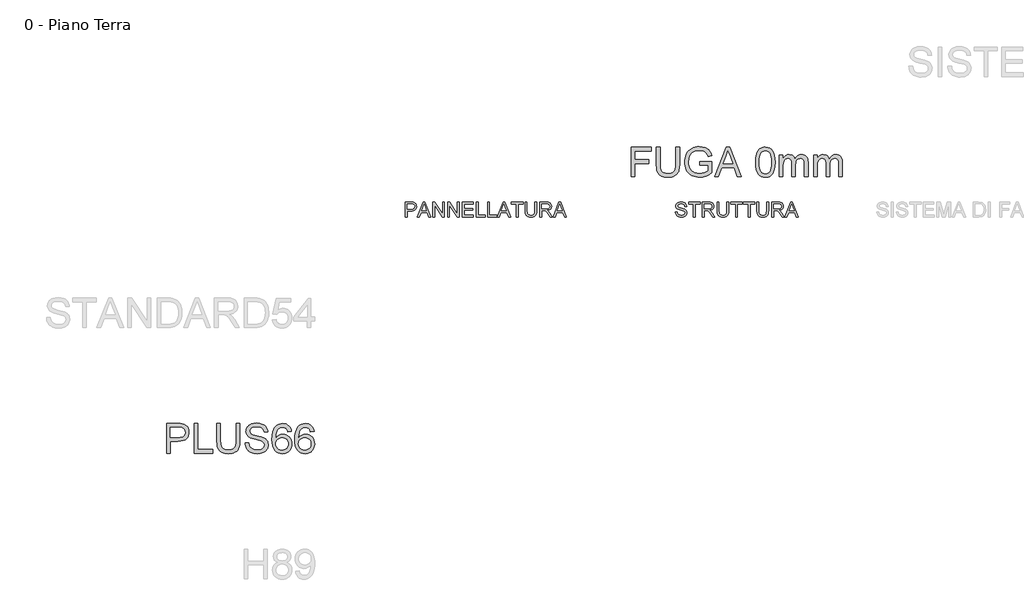
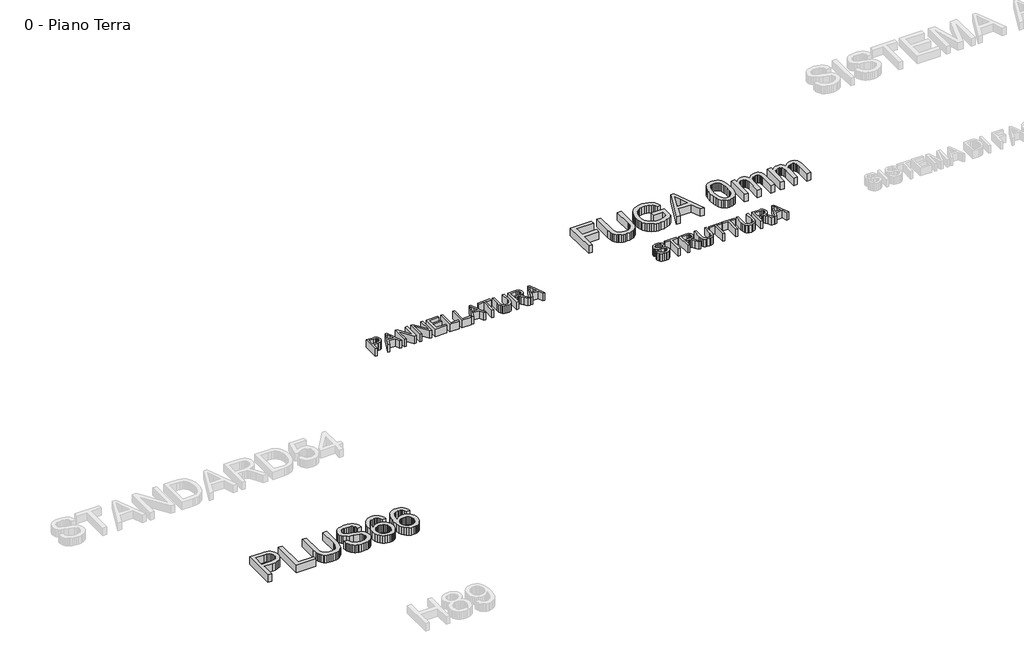
# One storey, part 15 of 17: 4 proxies.
"""IFC4 building model written with IfcOpenShell, lengths in millimetres."""

from ifc_helpers import new_model, si_unit, origin, origin_with_axes, place, context, project, spatial, polyline, outline, extrude, element, save

model = new_model("IFC4")

# Units and contexts
model_context = context("Model", 3, world=origin())
ifc_project = project(units=[si_unit("LENGTHUNIT", "METRE", prefix="MILLI")], contexts=[model_context])

# Site, building, storey
site = spatial("IfcSite", under=ifc_project)
building = spatial("IfcBuilding", under=site)
storey = spatial("IfcBuildingStorey", under=building, Name="0 - Piano Terra", Elevation=0.0)

# Proxies
placement = place(None, origin())
element("IfcBuildingElementProxy", 1, Name="Testo modello 1", ObjectType="Testo modello 1", at=placement, inside=storey, context=model_context, shape_type="SweptSolid", body=[
    extrude(outline(polyline([(-17336.6286265, 8564.0517382), (-17336.6286265, 9154.820969), (-17117.6863188, 9154.820969), (-17066.7007419, 9153.414719), (-17029.417088, 9149.195969), (-16990.0601169, 9138.6851517), (-16957.6622803, 9121.5757767), (-16931.5745399, 9097.0926036), (-16911.1478573, 9064.4603921), (-16897.9507419, 9025.9688055), (-16893.5517034, 8983.9075075), (-16896.5219558, 8947.6424834), (-16905.432713, 8914.2801036), (-16920.283975, 8883.820368), (-16941.0757419, 8856.2632767), (-16969.6199125, 8833.4207286), (-17007.7283861, 8817.1046229), (-17055.4011625, 8807.3149594), (-17112.6382419, 8804.0517382), (-17262.7824726, 8804.0517382), (-17262.7824726, 8564.0517382), (-17336.6286265, 8564.0517382)]), holes=[polyline([(-17262.7824726, 8877.8978921), (-17108.3113188, 8877.8978921), (-17072.7944919, 8879.5926036), (-17042.8305496, 8884.6767382), (-17018.4194919, 8893.1502959), (-16999.5613188, 8905.0132767), (-16985.4898044, 8919.9501757), (-16975.4387226, 8937.6454882), (-16969.4080736, 8958.0992142), (-16967.3978573, 8981.3113536), (-16972.1394438, 9014.4844305), (-16986.3642034, 9042.4651998), (-17008.3053092, 9063.5228921), (-17036.1959342, 9075.9267382), (-17064.6815111, 9079.7127959), (-17110.042088, 9080.9748152), (-17262.7824726, 9080.9748152), (-17262.7824726, 8877.8978921)])]), origin_with_axes(), (0.0, 0.0, 1.0), 150.0),
    extrude(outline(polyline([(-16792.0132419, 8564.0517382), (-16792.0132419, 9154.820969), (-16718.167088, 9154.820969), (-16718.167088, 8637.8978921), (-16422.7824726, 8637.8978921), (-16422.7824726, 8564.0517382), (-16792.0132419, 8564.0517382)])), origin_with_axes(), (0.0, 0.0, 1.0), 150.0),
    extrude(outline(polyline([(-15952.0132419, 9154.820969), (-15878.167088, 9154.820969), (-15878.167088, 8814.0036613), (-15883.1791073, 8734.1899594), (-15889.4441313, 8701.1656204), (-15898.2151649, 8672.7296229), (-15910.2494198, 8647.804743), (-15926.3041073, 8625.3137575), (-15946.3792274, 8605.2566661), (-15970.4747803, 8587.633469), (-15998.6178092, 8573.2780003), (-16030.8353573, 8563.024094), (-16067.1274246, 8556.8717503), (-16107.4940111, 8554.820969), (-16146.8645039, 8556.6058248), (-16182.4759823, 8561.9603921), (-16214.3284462, 8570.8846709), (-16242.4218957, 8583.3786613), (-16266.760838, 8599.2575676), (-16287.3497803, 8618.336594), (-16304.1887226, 8640.6157406), (-16317.2776649, 8666.0950075), (-16327.0898645, 8695.6487935), (-16334.0985784, 8730.1514979), (-16339.7055496, 8814.0036613), (-16339.7055496, 9154.820969), (-16265.8593957, 9154.820969), (-16265.8593957, 8816.5998152), (-16262.2175688, 8750.2356325), (-16251.292088, 8704.0276998), (-16242.7013428, 8686.9949474), (-16231.4964149, 8672.0264979), (-16217.6773044, 8659.1223512), (-16201.2440111, 8648.2825075), (-16161.7968957, 8633.570969), (-16114.417088, 8628.6671229), (-16073.7169678, 8631.0920027), (-16039.3089149, 8638.3666421), (-16011.1929294, 8650.4910411), (-15989.3690111, 8667.4651998), (-15973.0258621, 8691.3353921), (-15961.3521842, 8724.1478921), (-15954.3479774, 8765.9026998), (-15952.0132419, 8816.5998152), (-15952.0132419, 9154.820969)])), origin_with_axes(), (0.0, 0.0, 1.0), 150.0),
    extrude(outline(polyline([(-15776.6286265, 8767.1286613), (-15702.7824726, 8767.1286613), (-15694.3089149, 8726.149094), (-15678.9843957, 8693.2103921), (-15655.0781457, 8667.0685652), (-15620.8593957, 8646.4796229), (-15579.0324726, 8633.1202479), (-15532.3017034, 8628.6671229), (-15491.1598765, 8632.0385171), (-15455.1382419, 8642.1526998), (-15425.9495399, 8658.1623152), (-15405.3065111, 8679.2200075), (-15393.0288669, 8703.3966902), (-15388.9363188, 8728.7632767), (-15392.0012226, 8753.4808248), (-15401.1959342, 8774.8450075), (-15419.8738188, 8793.0721709), (-15451.3882419, 8808.3786613), (-15558.9122803, 8836.5757767), (-15629.495213, 8855.2356325), (-15674.6574726, 8872.9940459), (-15711.4182899, 8897.8377959), (-15737.4699726, 8927.945969), (-15752.9928092, 8962.6695267), (-15758.167088, 9001.3594305), (-15756.5670279, 9023.3501156), (-15751.7668476, 9044.6106325), (-15743.7665472, 9065.140981), (-15732.5661265, 9084.9411613), (-15718.2917875, 9103.2043825), (-15701.0697323, 9119.1238536), (-15680.8999606, 9132.6995748), (-15657.7824726, 9143.9315459), (-15605.823338, 9159.0216902), (-15548.3113188, 9164.0517382), (-15486.0036265, 9158.7873152), (-15431.4843957, 9142.9940459), (-15407.6322323, 9131.2302238), (-15386.7007419, 9116.9964498), (-15368.6899246, 9100.2927238), (-15353.5997803, 9081.1190459), (-15341.5474967, 9060.0343104), (-15332.6502611, 9037.5974113), (-15326.9080736, 9013.8083488), (-15324.3209342, 8988.6671229), (-15398.167088, 8988.6671229), (-15403.1069919, 9012.2308248), (-15411.7247803, 9032.7296229), (-15424.0204534, 9050.1635171), (-15439.9940111, 9064.5325075), (-15459.9429294, 9075.7644786), (-15484.1646842, 9083.7873152), (-15512.6592755, 9088.6010171), (-15545.4267034, 9090.2055844), (-15579.2398044, 9088.6190459), (-15608.1310303, 9083.8594305), (-15632.1003813, 9075.9267382), (-15651.1478573, 9064.820969), (-15665.6610784, 9051.4706084), (-15676.0276649, 9036.8041421), (-15682.2476169, 9020.82157), (-15684.3209342, 9003.5228921), (-15678.4435303, 8975.1454882), (-15660.8113188, 8952.320969), (-15644.6214149, 8942.1707286), (-15619.1286265, 8931.9123152), (-15540.2343957, 8911.070969), (-15458.8161265, 8891.2752959), (-15409.5613188, 8874.0036613), (-15367.463963, 8847.2127959), (-15351.1884222, 8831.4645988), (-15338.0949726, 8814.1478921), (-15328.0303693, 8795.35282), (-15320.8413669, 8775.1695267), (-15315.0901649, 8730.6382767), (-15316.7443116, 8707.5388176), (-15321.7067515, 8685.1154402), (-15329.9774847, 8663.3681445), (-15341.5565111, 8642.2969305), (-15356.2410063, 8622.7176036), (-15373.8281457, 8605.445969), (-15394.3179294, 8590.4820267), (-15417.7103573, 8577.8257767), (-15443.3248404, 8567.7611733), (-15470.4807899, 8560.5721709), (-15529.417088, 8554.820969), (-15567.1920279, 8556.3714498), (-15601.7668476, 8561.0228921), (-15633.1415472, 8568.7752959), (-15661.3161265, 8579.6286613), (-15686.4618597, 8593.6010171), (-15708.7500207, 8610.7103921), (-15728.1806097, 8630.9567863), (-15744.7536265, 8654.3401998), (-15758.1039871, 8680.1034209), (-15767.8666073, 8707.4892382), (-15774.0414871, 8736.4976517), (-15776.6286265, 8767.1286613)])), origin_with_axes(), (0.0, 0.0, 1.0), 150.0),
    extrude(outline(polyline([(-14853.5517034, 8997.8978921), (-14927.3978573, 8988.6671229), (-14939.2968957, 9025.2656805), (-14955.3786265, 9050.2536613), (-14971.2530255, 9063.6941661), (-14988.8762226, 9073.2945267), (-15008.2482178, 9079.054743), (-15029.3690111, 9080.9748152), (-15063.6959342, 9076.5036613), (-15096.0036265, 9063.0901998), (-15123.7500207, 9034.8389979), (-15146.4122803, 8995.9507767), (-15155.268951, 8971.1475916), (-15161.7187707, 8940.9447671), (-15167.3978573, 8864.3401998), (-15137.776463, 8898.9014979), (-15102.2776649, 8923.258469), (-15062.8846361, 8937.6995748), (-15021.5805496, 8942.5132767), (-14986.0997803, 8939.2230123), (-14953.3593957, 8929.352219), (-14923.3593957, 8912.9008969), (-14896.0997803, 8889.8690459), (-14873.4465351, 8861.6268584), (-14857.2656457, 8829.5445267), (-14847.5571121, 8793.6220507), (-14844.3209342, 8753.8594305), (-14850.4146842, 8700.9808248), (-14858.0318717, 8675.9883368), (-14868.6959342, 8651.9603921), (-14882.0282659, 8629.7939257), (-14897.6502611, 8610.3858729), (-14915.5619198, 8593.7362334), (-14935.7632419, 8579.8450075), (-14957.8215351, 8568.8969906), (-14981.3041073, 8561.0769786), (-15006.2109582, 8556.3849714), (-15032.542088, 8554.820969), (-15076.5640231, 8558.9676036), (-15116.3221361, 8571.4075075), (-15151.816427, 8592.1406805), (-15183.0468957, 8621.1671229), (-15208.5081337, 8659.7127959), (-15226.6947323, 8709.0036613), (-15237.6066914, 8769.039719), (-15241.2440111, 8839.820969), (-15237.2055496, 8919.1749354), (-15225.0901649, 8986.9002959), (-15204.8978573, 9042.9970507), (-15191.7728573, 9066.684701), (-15176.6286265, 9087.4651998), (-15145.9886024, 9116.9333488), (-15110.4627611, 9137.9820267), (-15070.0511024, 9150.6112334), (-15024.7536265, 9154.820969), (-14990.7422082, 9152.2158007), (-14959.9579534, 9144.4002959), (-14932.4008621, 9131.3744546), (-14908.0709342, 9113.1382767), (-14887.6262226, 9090.304743), (-14871.7247803, 9063.4868344), (-14860.3666073, 9032.6845507), (-14853.5517034, 8997.8978921)]), holes=[polyline([(-15167.3978573, 8755.0132767), (-15163.1250207, 8722.2909209), (-15150.3065111, 8691.0469305), (-15130.4026649, 8664.1839498), (-15104.8738188, 8644.6046229), (-15074.0625207, 8632.6514979), (-15038.3113188, 8628.6671229), (-15012.6427491, 8630.7314257), (-14989.5793476, 8636.9243344), (-14969.1211145, 8647.2458488), (-14951.2680496, 8661.695969), (-14936.7863789, 8679.6887575), (-14926.4423284, 8700.6382767), (-14920.2358981, 8724.5445267), (-14918.167088, 8751.4075075), (-14920.2088548, 8777.2203079), (-14926.3341553, 8800.1394786), (-14936.5429895, 8820.1650195), (-14950.8353573, 8837.2969305), (-14968.7425087, 8851.0213897), (-14989.7956938, 8860.8245748), (-15013.9949125, 8866.7064858), (-15041.3401649, 8868.6671229), (-15066.6661866, 8866.7064858), (-15090.0000207, 8860.8245748), (-15111.3416673, 8851.0213897), (-15130.6911265, 8837.2969305), (-15146.7503212, 8820.3903801), (-15158.2211746, 8801.0409209), (-15165.1036866, 8779.2485531), (-15167.3978573, 8755.0132767)])]), origin_with_axes(), (0.0, 0.0, 1.0), 150.0),
    extrude(outline(polyline([(-14401.2440111, 8997.8978921), (-14475.0901649, 8988.6671229), (-14486.9892034, 9025.2656805), (-14503.0709342, 9050.2536613), (-14518.9453332, 9063.6941661), (-14536.5685303, 9073.2945267), (-14555.9405255, 9079.054743), (-14577.0613188, 9080.9748152), (-14611.3882419, 9076.5036613), (-14643.6959342, 9063.0901998), (-14671.4423284, 9034.8389979), (-14694.104588, 8995.9507767), (-14702.9612587, 8971.1475916), (-14709.4110784, 8940.9447671), (-14715.0901649, 8864.3401998), (-14685.4687707, 8898.9014979), (-14649.9699726, 8923.258469), (-14610.5769438, 8937.6995748), (-14569.2728573, 8942.5132767), (-14533.792088, 8939.2230123), (-14501.0517034, 8929.352219), (-14471.0517034, 8912.9008969), (-14443.792088, 8889.8690459), (-14421.1388428, 8861.6268584), (-14404.9579534, 8829.5445267), (-14395.2494198, 8793.6220507), (-14392.0132419, 8753.8594305), (-14398.1069919, 8700.9808248), (-14405.7241794, 8675.9883368), (-14416.3882419, 8651.9603921), (-14429.7205736, 8629.7939257), (-14445.3425688, 8610.3858729), (-14463.2542274, 8593.7362334), (-14483.4555496, 8579.8450075), (-14505.5138428, 8568.8969906), (-14528.9964149, 8561.0769786), (-14553.9032659, 8556.3849714), (-14580.2343957, 8554.820969), (-14624.2563308, 8558.9676036), (-14664.0144438, 8571.4075075), (-14699.5087347, 8592.1406805), (-14730.7392034, 8621.1671229), (-14756.2004414, 8659.7127959), (-14774.3870399, 8709.0036613), (-14785.2989991, 8769.039719), (-14788.9363188, 8839.820969), (-14784.8978573, 8919.1749354), (-14772.7824726, 8986.9002959), (-14752.5901649, 9042.9970507), (-14739.4651649, 9066.684701), (-14724.3209342, 9087.4651998), (-14693.6809101, 9116.9333488), (-14658.1550688, 9137.9820267), (-14617.7434101, 9150.6112334), (-14572.4459342, 9154.820969), (-14538.4345159, 9152.2158007), (-14507.6502611, 9144.4002959), (-14480.0931698, 9131.3744546), (-14455.7632419, 9113.1382767), (-14435.3185303, 9090.304743), (-14419.417088, 9063.4868344), (-14408.0589149, 9032.6845507), (-14401.2440111, 8997.8978921)]), holes=[polyline([(-14715.0901649, 8755.0132767), (-14710.8173284, 8722.2909209), (-14697.9988188, 8691.0469305), (-14678.0949726, 8664.1839498), (-14652.5661265, 8644.6046229), (-14621.7548284, 8632.6514979), (-14586.0036265, 8628.6671229), (-14560.3350568, 8630.7314257), (-14537.2716553, 8636.9243344), (-14516.8134222, 8647.2458488), (-14498.9603573, 8661.695969), (-14484.4786866, 8679.6887575), (-14474.1346361, 8700.6382767), (-14467.9282058, 8724.5445267), (-14465.8593957, 8751.4075075), (-14467.9011625, 8777.2203079), (-14474.026463, 8800.1394786), (-14484.2352972, 8820.1650195), (-14498.5276649, 8837.2969305), (-14516.4348164, 8851.0213897), (-14537.4880015, 8860.8245748), (-14561.6872202, 8866.7064858), (-14589.0324726, 8868.6671229), (-14614.3584943, 8866.7064858), (-14637.6923284, 8860.8245748), (-14659.033975, 8851.0213897), (-14678.3834342, 8837.2969305), (-14694.4426289, 8820.3903801), (-14705.9134823, 8801.0409209), (-14712.7959943, 8779.2485531), (-14715.0901649, 8755.0132767)])]), origin_with_axes(), (0.0, 0.0, 1.0), 150.0),
])
element("IfcBuildingElementProxy", 2, Name="Testo modello 1", ObjectType="Testo modello 1", at=placement, inside=storey, context=model_context, shape_type="SweptSolid", body=[
    extrude(outline(polyline([(-8090.9349142, 14068.917457), (-8090.9349142, 14659.6866878), (-7694.0118373, 14659.6866878), (-7694.0118373, 14585.8405339), (-8017.0887604, 14585.8405339), (-8017.0887604, 14410.4559185), (-7740.1656835, 14410.4559185), (-7740.1656835, 14336.6097647), (-8017.0887604, 14336.6097647), (-8017.0887604, 14068.917457), (-8090.9349142, 14068.917457)])), origin_with_axes(), (0.0, 0.0, 1.0), 150.0),
    extrude(outline(polyline([(-7204.7810681, 14659.6866878), (-7130.9349142, 14659.6866878), (-7130.9349142, 14318.8693801), (-7135.9469335, 14239.0556782), (-7142.2119575, 14206.0313392), (-7150.9829912, 14177.5953416), (-7163.017246, 14152.6704618), (-7179.0719335, 14130.1794762), (-7199.1470537, 14110.1223849), (-7223.2426065, 14092.4991878), (-7251.3856354, 14078.143719), (-7283.6031835, 14067.8898128), (-7319.8952508, 14061.737469), (-7360.2618373, 14059.6866878), (-7399.6323301, 14061.4715435), (-7435.2438085, 14066.8261109), (-7467.0962724, 14075.7503897), (-7495.1897219, 14088.2443801), (-7519.5286642, 14104.1232863), (-7540.1176065, 14123.2023128), (-7556.9565488, 14145.4814594), (-7570.0454912, 14170.9607262), (-7579.8576907, 14200.5145123), (-7586.8664046, 14235.0172166), (-7592.4733758, 14318.8693801), (-7592.4733758, 14659.6866878), (-7518.6272219, 14659.6866878), (-7518.6272219, 14321.4655339), (-7514.985395, 14255.1013512), (-7504.0599142, 14208.8934185), (-7495.469169, 14191.8606661), (-7484.2642412, 14176.8922166), (-7470.4451306, 14163.98807), (-7454.0118373, 14153.1482262), (-7414.5647219, 14138.4366878), (-7367.1849142, 14133.5328416), (-7326.484794, 14135.9577214), (-7292.0767412, 14143.2323609), (-7263.9607556, 14155.3567599), (-7242.1368373, 14172.3309185), (-7225.7936883, 14196.2011109), (-7214.1200104, 14229.0136109), (-7207.1158037, 14270.7684185), (-7204.7810681, 14321.4655339), (-7204.7810681, 14659.6866878)])), origin_with_axes(), (0.0, 0.0, 1.0), 150.0),
    extrude(outline(polyline([(-6724.7810681, 14299.6866878), (-6724.7810681, 14373.5328416), (-6484.7810681, 14373.5328416), (-6484.7810681, 14152.7155339), (-6543.1043854, 14112.1506301), (-6603.266645, 14083.0520724), (-6665.1236162, 14065.5280339), (-6728.5310681, 14059.6866878), (-6770.9484359, 14062.0079017), (-6811.3736162, 14068.9715435), (-6849.8066089, 14080.5776133), (-6886.2474142, 14096.8261109), (-6919.5196498, 14117.4736469), (-6948.4469335, 14142.276832), (-6973.0292652, 14171.2356661), (-6993.266645, 14204.3501493), (-7009.0734359, 14240.5610868), (-7020.3640008, 14278.8092839), (-7027.1383397, 14319.0947407), (-7029.3964527, 14361.417457), (-7027.1473541, 14403.7446806), (-7020.4000585, 14444.620582), (-7009.1545657, 14484.0451613), (-6993.4108758, 14522.0184185), (-6973.4484359, 14556.8726854), (-6949.5466931, 14586.9402935), (-6921.7056474, 14612.2212431), (-6889.9252988, 14632.7155339), (-6854.8952508, 14648.5538753), (-6817.3051065, 14659.8669762), (-6777.1548662, 14666.6548368), (-6734.4445296, 14668.917457), (-6673.6152027, 14663.6710628), (-6618.9156835, 14647.9318801), (-6572.8519815, 14622.8357262), (-6553.9983157, 14607.2047166), (-6537.9301065, 14589.5184185), (-6512.09477, 14546.3753897), (-6493.2906835, 14491.8020724), (-6561.3676065, 14472.6193801), (-6576.5659238, 14511.5436589), (-6595.0454912, 14540.9126493), (-6619.4926065, 14563.0520724), (-6652.5935681, 14580.2876493), (-6692.0587123, 14591.3753897), (-6735.5983758, 14595.0713032), (-6786.5659238, 14591.0869282), (-6830.141645, 14579.1338032), (-6866.1632796, 14560.7083224), (-6894.4685681, 14537.3068801), (-6916.1933277, 14510.1374089), (-6932.4733758, 14480.4078416), (-6949.7810681, 14424.6626493), (-6955.5502988, 14364.4463032), (-6953.8150224, 14327.5728056), (-6948.6091931, 14293.8273128), (-6939.9328109, 14263.2098248), (-6927.7858758, 14235.7203416), (-6912.3261402, 14211.4625291), (-6893.7113565, 14190.5400532), (-6871.9415248, 14172.9529137), (-6847.016645, 14158.7011109), (-6820.1040849, 14147.6899931), (-6792.3712123, 14139.8249089), (-6763.8180272, 14135.1058584), (-6734.4445296, 14133.5328416), (-6683.2966931, 14138.2744282), (-6633.4108758, 14152.4991878), (-6590.0875585, 14172.0965435), (-6558.6272219, 14192.9559185), (-6558.6272219, 14299.6866878), (-6724.7810681, 14299.6866878)])), origin_with_axes(), (0.0, 0.0, 1.0), 150.0),
    extrude(outline(polyline([(-6433.579145, 14068.917457), (-6197.7618373, 14659.6866878), (-6134.8772219, 14659.6866878), (-5899.0599142, 14068.917457), (-5977.0887604, 14068.917457), (-6044.7329912, 14253.5328416), (-6288.0502988, 14253.5328416), (-6355.5502988, 14068.917457), (-6433.579145, 14068.917457)]), holes=[polyline([(-6260.9349142, 14327.3789955), (-6071.704145, 14327.3789955), (-6124.9252988, 14472.6193801), (-6166.3195296, 14585.8405339), (-6203.0983758, 14485.3116878), (-6260.9349142, 14327.3789955)])]), origin_with_axes(), (0.0, 0.0, 1.0), 150.0),
    extrude(outline(polyline([(-5617.0887604, 14359.542457), (-5611.6620777, 14454.1037551), (-5604.8787243, 14494.2044161), (-5595.3820296, 14529.5184185), (-5583.2125585, 14560.3342238), (-5568.4108758, 14586.9402935), (-5550.9769815, 14609.3366277), (-5530.9108758, 14627.5232262), (-5508.1449503, 14641.5947407), (-5482.6115969, 14651.6458224), (-5454.3108157, 14657.6764714), (-5423.2426065, 14659.6866878), (-5377.7377988, 14654.9270724), (-5336.9926065, 14640.6482262), (-5302.9180873, 14617.4090435), (-5277.4252988, 14585.7684185), (-5258.1704912, 14545.9967839), (-5242.8099142, 14498.3645724), (-5232.7498181, 14437.8777935), (-5229.3964527, 14359.542457), (-5234.7690488, 14265.5220243), (-5241.484794, 14225.5565796), (-5250.8868373, 14190.2876493), (-5262.961657, 14159.4583224), (-5277.6957315, 14132.8116878), (-5295.0890609, 14110.3477455), (-5315.141645, 14092.0664955), (-5337.9346137, 14077.9003296), (-5363.5490969, 14067.7816397), (-5391.9850945, 14061.7104258), (-5423.2426065, 14059.6866878), (-5463.9156835, 14063.2023128), (-5499.9733758, 14073.7491878), (-5531.4156835, 14091.3273128), (-5558.2426065, 14115.9366878), (-5583.9877988, 14160.4228657), (-5602.3772219, 14215.8525532), (-5613.4108758, 14282.2257503), (-5617.0887604, 14359.542457)]), holes=[polyline([(-5543.2426065, 14359.6866878), (-5541.079145, 14295.4904738), (-5534.5887604, 14243.526832), (-5523.7714527, 14203.7957623), (-5508.6272219, 14176.2972647), (-5490.3099142, 14157.5878296), (-5469.9733758, 14144.2239474), (-5447.6176065, 14136.2056181), (-5423.2426065, 14133.5328416), (-5398.8676065, 14136.2146325), (-5376.5118373, 14144.2600051), (-5356.1752988, 14157.6689594), (-5337.8579912, 14176.4414955), (-5322.7137604, 14203.9850652), (-5311.8964527, 14243.7071205), (-5305.4060681, 14295.6076613), (-5303.2426065, 14359.6866878), (-5305.3339527, 14422.183683), (-5311.6079912, 14473.2323609), (-5322.0647219, 14512.8327214), (-5336.704145, 14540.9847647), (-5354.7149623, 14560.6091637), (-5375.2858758, 14574.6265916), (-5398.4168854, 14583.0370484), (-5424.1079912, 14585.8405339), (-5448.3567892, 14583.370582), (-5470.3339527, 14575.9607262), (-5490.0394815, 14563.6109666), (-5507.4733758, 14546.3213032), (-5523.1224142, 14515.6722647), (-5534.3002988, 14474.3501493), (-5541.0070296, 14422.354957), (-5543.2426065, 14359.6866878)])]), origin_with_axes(), (0.0, 0.0, 1.0), 150.0),
    extrude(outline(polyline([(-5146.3195296, 14068.917457), (-5146.3195296, 14502.7636109), (-5072.4733758, 14502.7636109), (-5072.4733758, 14431.3693801), (-5050.2618373, 14464.1638512), (-5021.704145, 14489.854957), (-4987.7738565, 14506.4595243), (-4949.4445296, 14511.9943801), (-4908.3748181, 14506.3513512), (-4890.8958517, 14499.2975652), (-4875.454145, 14489.4222647), (-4850.8627988, 14462.3249089), (-4834.7810681, 14426.1770724), (-4807.8640008, 14463.7221445), (-4777.1608758, 14490.5400532), (-4742.6716931, 14506.6307984), (-4704.3964527, 14511.9943801), (-4674.8336522, 14509.7633104), (-4648.8856354, 14503.0701012), (-4626.5524022, 14491.9147527), (-4607.8339527, 14476.2972647), (-4593.0367772, 14456.0373488), (-4582.4673662, 14430.9547166), (-4576.1257195, 14401.0493681), (-4574.0118373, 14366.3213032), (-4574.0118373, 14068.917457), (-4647.8579912, 14068.917457), (-4647.8579912, 14334.5905339), (-4649.5707315, 14371.4234666), (-4654.7089527, 14396.2491878), (-4664.3363565, 14413.2503897), (-4679.516645, 14426.6097647), (-4699.0418854, 14435.2636109), (-4721.704145, 14438.1482262), (-4742.6311282, 14436.3002695), (-4761.7101546, 14430.7563993), (-4778.9412243, 14421.5166157), (-4794.3243373, 14408.5809185), (-4806.9760801, 14391.5707022), (-4816.0130392, 14370.1073609), (-4821.4352147, 14344.1908945), (-4823.2426065, 14313.8213032), (-4823.2426065, 14068.917457), (-4897.0887604, 14068.917457), (-4897.0887604, 14342.8116878), (-4901.3615969, 14384.5664955), (-4914.1801065, 14414.3501493), (-4924.0914647, 14424.761808), (-4936.7341931, 14432.198707), (-4952.1082916, 14436.6608464), (-4970.2137604, 14438.1482262), (-4998.6632796, 14434.1818801), (-5024.8772219, 14422.2828416), (-5046.5118373, 14402.7395724), (-5061.2233758, 14375.8405339), (-5069.6608758, 14338.5208224), (-5072.4733758, 14287.7155339), (-5072.4733758, 14068.917457), (-5146.3195296, 14068.917457)])), origin_with_axes(), (0.0, 0.0, 1.0), 150.0),
    extrude(outline(polyline([(-4463.2426065, 14068.917457), (-4463.2426065, 14502.7636109), (-4389.3964527, 14502.7636109), (-4389.3964527, 14431.3693801), (-4367.1849142, 14464.1638512), (-4338.6272219, 14489.854957), (-4304.6969335, 14506.4595243), (-4266.3676065, 14511.9943801), (-4225.297895, 14506.3513512), (-4207.8189287, 14499.2975652), (-4192.3772219, 14489.4222647), (-4167.7858758, 14462.3249089), (-4151.704145, 14426.1770724), (-4124.7870777, 14463.7221445), (-4094.0839527, 14490.5400532), (-4059.59477, 14506.6307984), (-4021.3195296, 14511.9943801), (-3991.7567291, 14509.7633104), (-3965.8087123, 14503.0701012), (-3943.4754791, 14491.9147527), (-3924.7570296, 14476.2972647), (-3909.9598541, 14456.0373488), (-3899.3904431, 14430.9547166), (-3893.0487964, 14401.0493681), (-3890.9349142, 14366.3213032), (-3890.9349142, 14068.917457), (-3964.7810681, 14068.917457), (-3964.7810681, 14334.5905339), (-3966.4938085, 14371.4234666), (-3971.6320296, 14396.2491878), (-3981.2594335, 14413.2503897), (-3996.4397219, 14426.6097647), (-4015.9649623, 14435.2636109), (-4038.6272219, 14438.1482262), (-4059.5542051, 14436.3002695), (-4078.6332315, 14430.7563993), (-4095.8643012, 14421.5166157), (-4111.2474142, 14408.5809185), (-4123.899157, 14391.5707022), (-4132.9361162, 14370.1073609), (-4138.3582916, 14344.1908945), (-4140.1656835, 14313.8213032), (-4140.1656835, 14068.917457), (-4214.0118373, 14068.917457), (-4214.0118373, 14342.8116878), (-4218.2846738, 14384.5664955), (-4231.1031835, 14414.3501493), (-4241.0145416, 14424.761808), (-4253.65727, 14432.198707), (-4269.0313686, 14436.6608464), (-4287.1368373, 14438.1482262), (-4315.5863565, 14434.1818801), (-4341.8002988, 14422.2828416), (-4363.4349142, 14402.7395724), (-4378.1464527, 14375.8405339), (-4386.5839527, 14338.5208224), (-4389.3964527, 14287.7155339), (-4389.3964527, 14068.917457), (-4463.2426065, 14068.917457)])), origin_with_axes(), (0.0, 0.0, 1.0), 150.0),
])
element("IfcBuildingElementProxy", 3, Name="Testo modello 2", ObjectType="Testo modello 2", at=placement, inside=storey, context=model_context, shape_type="SweptSolid", body=[
    extrude(outline(polyline([(-12585.5502988, 13268.917457), (-12585.5502988, 13564.3020724), (-12476.079145, 13564.3020724), (-12431.9445296, 13561.4895724), (-12412.266044, 13556.2341637), (-12396.0671258, 13547.6794762), (-12383.0232556, 13535.4378897), (-12372.8099142, 13519.1217839), (-12366.2113565, 13499.8759907), (-12364.0118373, 13478.8453416), (-12369.9523421, 13444.0316397), (-12377.3779731, 13428.8017719), (-12387.7738565, 13415.0232262), (-12402.0459419, 13403.6019522), (-12421.1001787, 13395.4438993), (-12444.9365669, 13390.5490676), (-12473.5551065, 13388.917457), (-12548.6272219, 13388.917457), (-12548.6272219, 13268.917457), (-12585.5502988, 13268.917457)]), holes=[polyline([(-12548.6272219, 13425.8405339), (-12471.391645, 13425.8405339), (-12438.6512604, 13429.229957), (-12417.016645, 13439.3982262), (-12404.9553469, 13455.714332), (-12400.9349142, 13477.5472647), (-12403.3057075, 13494.1338032), (-12410.4180873, 13508.1241878), (-12421.3886402, 13518.6530339), (-12435.3339527, 13524.854957), (-12472.2570296, 13527.3789955), (-12548.6272219, 13527.3789955), (-12548.6272219, 13425.8405339)])]), origin_with_axes(), (0.0, 0.0, 1.0), 150.0),
    extrude(outline(polyline([(-12347.641645, 13268.917457), (-12229.7329912, 13564.3020724), (-12198.2906835, 13564.3020724), (-12080.3820296, 13268.917457), (-12119.3964527, 13268.917457), (-12153.2185681, 13361.2251493), (-12274.8772219, 13361.2251493), (-12308.6272219, 13268.917457), (-12347.641645, 13268.917457)]), holes=[polyline([(-12261.3195296, 13398.1482262), (-12166.704145, 13398.1482262), (-12193.3147219, 13470.7684185), (-12214.0118373, 13527.3789955), (-12232.4012604, 13477.1145724), (-12261.3195296, 13398.1482262)])]), origin_with_axes(), (0.0, 0.0, 1.0), 150.0),
    extrude(outline(polyline([(-12040.9349142, 13268.917457), (-12040.9349142, 13564.3020724), (-12001.4156835, 13564.3020724), (-11847.0887604, 13330.2876493), (-11847.0887604, 13564.3020724), (-11810.1656835, 13564.3020724), (-11810.1656835, 13268.917457), (-11849.6849142, 13268.917457), (-12004.0118373, 13503.0039955), (-12004.0118373, 13268.917457), (-12040.9349142, 13268.917457)])), origin_with_axes(), (0.0, 0.0, 1.0), 150.0),
    extrude(outline(polyline([(-11745.5502988, 13268.917457), (-11745.5502988, 13564.3020724), (-11706.0310681, 13564.3020724), (-11551.704145, 13330.2876493), (-11551.704145, 13564.3020724), (-11514.7810681, 13564.3020724), (-11514.7810681, 13268.917457), (-11554.3002988, 13268.917457), (-11708.6272219, 13503.0039955), (-11708.6272219, 13268.917457), (-11745.5502988, 13268.917457)])), origin_with_axes(), (0.0, 0.0, 1.0), 150.0),
    extrude(outline(polyline([(-11450.1656835, 13268.917457), (-11450.1656835, 13564.3020724), (-11237.8579912, 13564.3020724), (-11237.8579912, 13527.3789955), (-11413.2426065, 13527.3789955), (-11413.2426065, 13439.6866878), (-11247.0887604, 13439.6866878), (-11247.0887604, 13402.7636109), (-11413.2426065, 13402.7636109), (-11413.2426065, 13305.8405339), (-11233.2426065, 13305.8405339), (-11233.2426065, 13268.917457), (-11450.1656835, 13268.917457)])), origin_with_axes(), (0.0, 0.0, 1.0), 150.0),
    extrude(outline(polyline([(-11177.8579912, 13268.917457), (-11177.8579912, 13564.3020724), (-11140.9349142, 13564.3020724), (-11140.9349142, 13305.8405339), (-10993.2426065, 13305.8405339), (-10993.2426065, 13268.917457), (-11177.8579912, 13268.917457)])), origin_with_axes(), (0.0, 0.0, 1.0), 150.0),
    extrude(outline(polyline([(-10951.704145, 13268.917457), (-10951.704145, 13564.3020724), (-10914.7810681, 13564.3020724), (-10914.7810681, 13305.8405339), (-10767.0887604, 13305.8405339), (-10767.0887604, 13268.917457), (-10951.704145, 13268.917457)])), origin_with_axes(), (0.0, 0.0, 1.0), 150.0),
    extrude(outline(polyline([(-10759.9493373, 13268.917457), (-10642.0406835, 13564.3020724), (-10610.5983758, 13564.3020724), (-10492.6897219, 13268.917457), (-10531.704145, 13268.917457), (-10565.5262604, 13361.2251493), (-10687.1849142, 13361.2251493), (-10720.9349142, 13268.917457), (-10759.9493373, 13268.917457)]), holes=[polyline([(-10673.6272219, 13398.1482262), (-10579.0118373, 13398.1482262), (-10605.6224142, 13470.7684185), (-10626.3195296, 13527.3789955), (-10644.7089527, 13477.1145724), (-10673.6272219, 13398.1482262)])]), origin_with_axes(), (0.0, 0.0, 1.0), 150.0),
    extrude(outline(polyline([(-10379.3964527, 13268.917457), (-10379.3964527, 13527.3789955), (-10476.3195296, 13527.3789955), (-10476.3195296, 13564.3020724), (-10245.5502988, 13564.3020724), (-10245.5502988, 13527.3789955), (-10342.4733758, 13527.3789955), (-10342.4733758, 13268.917457), (-10379.3964527, 13268.917457)])), origin_with_axes(), (0.0, 0.0, 1.0), 150.0),
    extrude(outline(polyline([(-10010.1656835, 13564.3020724), (-9973.2426065, 13564.3020724), (-9973.2426065, 13393.8934185), (-9975.7486162, 13353.9865676), (-9983.266645, 13323.2563993), (-9997.3111162, 13299.5484666), (-10019.3964527, 13280.7083224), (-10049.5767412, 13268.4036349), (-10087.9060681, 13264.3020724), (-10125.3970537, 13267.8717839), (-10155.3700104, 13278.5809185), (-10177.8339527, 13296.0598849), (-10192.797895, 13319.9390916), (-10201.2083517, 13351.9673368), (-10204.0118373, 13393.8934185), (-10204.0118373, 13564.3020724), (-10167.0887604, 13564.3020724), (-10167.0887604, 13395.1914955), (-10165.2678469, 13362.0094041), (-10159.8051065, 13338.9054378), (-10149.90727, 13322.9048368), (-10134.7810681, 13311.0328416), (-10115.0575104, 13303.6770724), (-10091.3676065, 13301.2251493), (-10053.81352, 13306.0749089), (-10039.7555272, 13312.1371084), (-10028.8435681, 13320.6241878), (-10020.6719936, 13332.5592839), (-10014.8351546, 13348.9655339), (-10010.1656835, 13395.1914955), (-10010.1656835, 13564.3020724)])), origin_with_axes(), (0.0, 0.0, 1.0), 150.0),
    extrude(outline(polyline([(-9908.6272219, 13268.917457), (-9908.6272219, 13564.3020724), (-9781.3435681, 13564.3020724), (-9747.1338325, 13562.3098849), (-9722.2450104, 13556.3333224), (-9704.0539046, 13545.2996685), (-9689.9373181, 13528.136207), (-9680.8778229, 13506.8531541), (-9677.8579912, 13483.4607262), (-9682.860996, 13454.3621685), (-9697.8700104, 13430.2395724), (-9709.2394515, 13420.409344), (-9723.3357556, 13412.5532743), (-9759.7089527, 13402.7636109), (-9738.7233758, 13386.9703416), (-9708.7954912, 13348.9655339), (-9659.5406835, 13268.917457), (-9702.4493373, 13268.917457), (-9740.8868373, 13330.1434185), (-9768.6512604, 13370.6722647), (-9788.1584719, 13389.8188993), (-9805.7185681, 13396.8501493), (-9827.1368373, 13398.1482262), (-9871.704145, 13398.1482262), (-9871.704145, 13268.917457), (-9908.6272219, 13268.917457)]), holes=[polyline([(-9871.704145, 13435.0713032), (-9789.0599142, 13435.0713032), (-9765.3249383, 13436.3783945), (-9746.9084719, 13440.2996685), (-9733.0442892, 13447.0965435), (-9722.9661642, 13457.0304378), (-9716.8273421, 13469.0466637), (-9714.7810681, 13482.0905339), (-9718.6843133, 13500.1013512), (-9730.3940488, 13514.6145724), (-9750.5412844, 13524.1878897), (-9779.7570296, 13527.3789955), (-9871.704145, 13527.3789955), (-9871.704145, 13435.0713032)])]), origin_with_axes(), (0.0, 0.0, 1.0), 150.0),
    extrude(outline(polyline([(-9647.641645, 13268.917457), (-9529.7329912, 13564.3020724), (-9498.2906835, 13564.3020724), (-9380.3820296, 13268.917457), (-9419.3964527, 13268.917457), (-9453.2185681, 13361.2251493), (-9574.8772219, 13361.2251493), (-9608.6272219, 13268.917457), (-9647.641645, 13268.917457)]), holes=[polyline([(-9561.3195296, 13398.1482262), (-9466.704145, 13398.1482262), (-9493.3147219, 13470.7684185), (-9514.0118373, 13527.3789955), (-9532.4012604, 13477.1145724), (-9561.3195296, 13398.1482262)])]), origin_with_axes(), (0.0, 0.0, 1.0), 150.0),
])
element("IfcBuildingElementProxy", 4, Name="Testo modello 2", ObjectType="Testo modello 2", at=placement, inside=storey, context=model_context, shape_type="SweptSolid", body=[
    extrude(outline(polyline([(-7214.0118373, 13370.4559185), (-7177.0887604, 13370.4559185), (-7172.8519815, 13349.9661349), (-7165.1897219, 13333.4967839), (-7153.2365969, 13320.4258705), (-7136.1272219, 13310.1313993), (-7115.2137604, 13303.4517118), (-7091.8483758, 13301.2251493), (-7071.2774623, 13302.9108464), (-7053.266645, 13307.9679378), (-7038.672294, 13315.9727455), (-7028.3507796, 13326.5015916), (-7022.2119575, 13338.589933), (-7020.1656835, 13351.2732262), (-7021.6981354, 13363.6320003), (-7026.2954912, 13374.3140916), (-7035.6344335, 13383.4276734), (-7051.391645, 13391.0809185), (-7105.1536642, 13405.1794762), (-7140.4451306, 13414.5094041), (-7163.0262604, 13423.3886109), (-7181.406669, 13435.8104859), (-7194.4325104, 13450.8645724), (-7202.1939287, 13468.2263512), (-7204.7810681, 13487.5713032), (-7201.5809479, 13509.1969041), (-7191.9805873, 13529.3621685), (-7176.2323902, 13546.4535147), (-7154.5887604, 13558.8573609), (-7128.6091931, 13566.402433), (-7099.8531835, 13568.917457), (-7068.6993373, 13566.2852455), (-7041.4397219, 13558.3886109), (-7019.047895, 13545.3898128), (-7002.4974142, 13527.4511109), (-6992.0226546, 13505.6902935), (-6987.8579912, 13481.2251493), (-7024.7810681, 13481.2251493), (-7031.5599142, 13503.2563993), (-7045.6945296, 13519.1578416), (-7067.7798662, 13528.7852455), (-7098.4108758, 13531.9943801), (-7129.7630392, 13528.8213032), (-7151.2714527, 13519.3020724), (-7163.7113565, 13505.2936589), (-7167.8579912, 13488.6530339), (-7164.9192892, 13474.464332), (-7156.1031835, 13463.0520724), (-7135.2618373, 13452.8477455), (-7095.8147219, 13442.4270724), (-7030.4781835, 13423.8934185), (-7009.4295056, 13410.4979859), (-6994.7450104, 13393.9655339), (-6986.1182075, 13374.4763512), (-6983.2426065, 13352.2107262), (-6986.5508998, 13329.449308), (-6996.4757796, 13308.0400532), (-7012.6115969, 13289.6145724), (-7034.5527027, 13275.8044762), (-7060.937919, 13267.1776734), (-7090.4060681, 13264.3020724), (-7126.5809479, 13267.4030339), (-7156.3555873, 13276.7059185), (-7180.0725344, 13292.2467839), (-7198.0743373, 13314.0616878), (-7209.6308277, 13340.636207), (-7214.0118373, 13370.4559185)])), origin_with_axes(), (0.0, 0.0, 1.0), 150.0),
    extrude(outline(polyline([(-6854.0118373, 13268.917457), (-6854.0118373, 13527.3789955), (-6950.9349142, 13527.3789955), (-6950.9349142, 13564.3020724), (-6720.1656835, 13564.3020724), (-6720.1656835, 13527.3789955), (-6817.0887604, 13527.3789955), (-6817.0887604, 13268.917457), (-6854.0118373, 13268.917457)])), origin_with_axes(), (0.0, 0.0, 1.0), 150.0),
    extrude(outline(polyline([(-6678.6272219, 13268.917457), (-6678.6272219, 13564.3020724), (-6551.3435681, 13564.3020724), (-6517.1338325, 13562.3098849), (-6492.2450104, 13556.3333224), (-6474.0539046, 13545.2996685), (-6459.9373181, 13528.136207), (-6450.8778229, 13506.8531541), (-6447.8579912, 13483.4607262), (-6452.860996, 13454.3621685), (-6467.8700104, 13430.2395724), (-6479.2394515, 13420.409344), (-6493.3357556, 13412.5532743), (-6529.7089527, 13402.7636109), (-6508.7233758, 13386.9703416), (-6478.7954912, 13348.9655339), (-6429.5406835, 13268.917457), (-6472.4493373, 13268.917457), (-6510.8868373, 13330.1434185), (-6538.6512604, 13370.6722647), (-6558.1584719, 13389.8188993), (-6575.7185681, 13396.8501493), (-6597.1368373, 13398.1482262), (-6641.704145, 13398.1482262), (-6641.704145, 13268.917457), (-6678.6272219, 13268.917457)]), holes=[polyline([(-6641.704145, 13435.0713032), (-6559.0599142, 13435.0713032), (-6535.3249383, 13436.3783945), (-6516.9084719, 13440.2996685), (-6503.0442892, 13447.0965435), (-6492.9661642, 13457.0304378), (-6486.8273421, 13469.0466637), (-6484.7810681, 13482.0905339), (-6488.6843133, 13500.1013512), (-6500.3940488, 13514.6145724), (-6520.5412844, 13524.1878897), (-6549.7570296, 13527.3789955), (-6641.704145, 13527.3789955), (-6641.704145, 13435.0713032)])]), origin_with_axes(), (0.0, 0.0, 1.0), 150.0),
    extrude(outline(polyline([(-6189.3964527, 13564.3020724), (-6152.4733758, 13564.3020724), (-6152.4733758, 13393.8934185), (-6154.9793854, 13353.9865676), (-6162.4974142, 13323.2563993), (-6176.5418854, 13299.5484666), (-6198.6272219, 13280.7083224), (-6228.8075104, 13268.4036349), (-6267.1368373, 13264.3020724), (-6304.6278229, 13267.8717839), (-6334.6007796, 13278.5809185), (-6357.0647219, 13296.0598849), (-6372.0286642, 13319.9390916), (-6380.439121, 13351.9673368), (-6383.2426065, 13393.8934185), (-6383.2426065, 13564.3020724), (-6346.3195296, 13564.3020724), (-6346.3195296, 13395.1914955), (-6344.4986162, 13362.0094041), (-6339.0358758, 13338.9054378), (-6329.1380392, 13322.9048368), (-6314.0118373, 13311.0328416), (-6294.2882796, 13303.6770724), (-6270.5983758, 13301.2251493), (-6233.0442892, 13306.0749089), (-6218.9862964, 13312.1371084), (-6208.0743373, 13320.6241878), (-6199.9027628, 13332.5592839), (-6194.0659238, 13348.9655339), (-6189.3964527, 13395.1914955), (-6189.3964527, 13564.3020724)])), origin_with_axes(), (0.0, 0.0, 1.0), 150.0),
    extrude(outline(polyline([(-6014.0118373, 13268.917457), (-6014.0118373, 13527.3789955), (-6110.9349142, 13527.3789955), (-6110.9349142, 13564.3020724), (-5880.1656835, 13564.3020724), (-5880.1656835, 13527.3789955), (-5977.0887604, 13527.3789955), (-5977.0887604, 13268.917457), (-6014.0118373, 13268.917457)])), origin_with_axes(), (0.0, 0.0, 1.0), 150.0),
    extrude(outline(polyline([(-5764.7810681, 13268.917457), (-5764.7810681, 13527.3789955), (-5861.704145, 13527.3789955), (-5861.704145, 13564.3020724), (-5630.9349142, 13564.3020724), (-5630.9349142, 13527.3789955), (-5727.8579912, 13527.3789955), (-5727.8579912, 13268.917457), (-5764.7810681, 13268.917457)])), origin_with_axes(), (0.0, 0.0, 1.0), 150.0),
    extrude(outline(polyline([(-5395.5502988, 13564.3020724), (-5358.6272219, 13564.3020724), (-5358.6272219, 13393.8934185), (-5361.1332315, 13353.9865676), (-5368.6512604, 13323.2563993), (-5382.6957315, 13299.5484666), (-5404.7810681, 13280.7083224), (-5434.9613565, 13268.4036349), (-5473.2906835, 13264.3020724), (-5510.781669, 13267.8717839), (-5540.7546258, 13278.5809185), (-5563.2185681, 13296.0598849), (-5578.1825104, 13319.9390916), (-5586.5929671, 13351.9673368), (-5589.3964527, 13393.8934185), (-5589.3964527, 13564.3020724), (-5552.4733758, 13564.3020724), (-5552.4733758, 13395.1914955), (-5550.6524623, 13362.0094041), (-5545.1897219, 13338.9054378), (-5535.2918854, 13322.9048368), (-5520.1656835, 13311.0328416), (-5500.4421258, 13303.6770724), (-5476.7522219, 13301.2251493), (-5439.1981354, 13306.0749089), (-5425.1401426, 13312.1371084), (-5414.2281835, 13320.6241878), (-5406.0566089, 13332.5592839), (-5400.21977, 13348.9655339), (-5395.5502988, 13395.1914955), (-5395.5502988, 13564.3020724)])), origin_with_axes(), (0.0, 0.0, 1.0), 150.0),
    extrude(outline(polyline([(-5294.0118373, 13268.917457), (-5294.0118373, 13564.3020724), (-5166.7281835, 13564.3020724), (-5132.5184479, 13562.3098849), (-5107.6296258, 13556.3333224), (-5089.43852, 13545.2996685), (-5075.3219335, 13528.136207), (-5066.2624383, 13506.8531541), (-5063.2426065, 13483.4607262), (-5068.2456113, 13454.3621685), (-5083.2546258, 13430.2395724), (-5094.6240669, 13420.409344), (-5108.720371, 13412.5532743), (-5145.0935681, 13402.7636109), (-5124.1079912, 13386.9703416), (-5094.1801065, 13348.9655339), (-5044.9252988, 13268.917457), (-5087.8339527, 13268.917457), (-5126.2714527, 13330.1434185), (-5154.0358758, 13370.6722647), (-5173.5430873, 13389.8188993), (-5191.1031835, 13396.8501493), (-5212.5214527, 13398.1482262), (-5257.0887604, 13398.1482262), (-5257.0887604, 13268.917457), (-5294.0118373, 13268.917457)]), holes=[polyline([(-5257.0887604, 13435.0713032), (-5174.4445296, 13435.0713032), (-5150.7095537, 13436.3783945), (-5132.2930873, 13440.2996685), (-5118.4289046, 13447.0965435), (-5108.3507796, 13457.0304378), (-5102.2119575, 13469.0466637), (-5100.1656835, 13482.0905339), (-5104.0689287, 13500.1013512), (-5115.7786642, 13514.6145724), (-5135.9258998, 13524.1878897), (-5165.141645, 13527.3789955), (-5257.0887604, 13527.3789955), (-5257.0887604, 13435.0713032)])]), origin_with_axes(), (0.0, 0.0, 1.0), 150.0),
    extrude(outline(polyline([(-5033.0262604, 13268.917457), (-4915.1176065, 13564.3020724), (-4883.6752988, 13564.3020724), (-4765.766645, 13268.917457), (-4804.7810681, 13268.917457), (-4838.6031835, 13361.2251493), (-4960.2618373, 13361.2251493), (-4994.0118373, 13268.917457), (-5033.0262604, 13268.917457)]), holes=[polyline([(-4946.704145, 13398.1482262), (-4852.0887604, 13398.1482262), (-4878.6993373, 13470.7684185), (-4899.3964527, 13527.3789955), (-4917.7858758, 13477.1145724), (-4946.704145, 13398.1482262)])]), origin_with_axes(), (0.0, 0.0, 1.0), 150.0),
])

save(model, "model.ifc")
